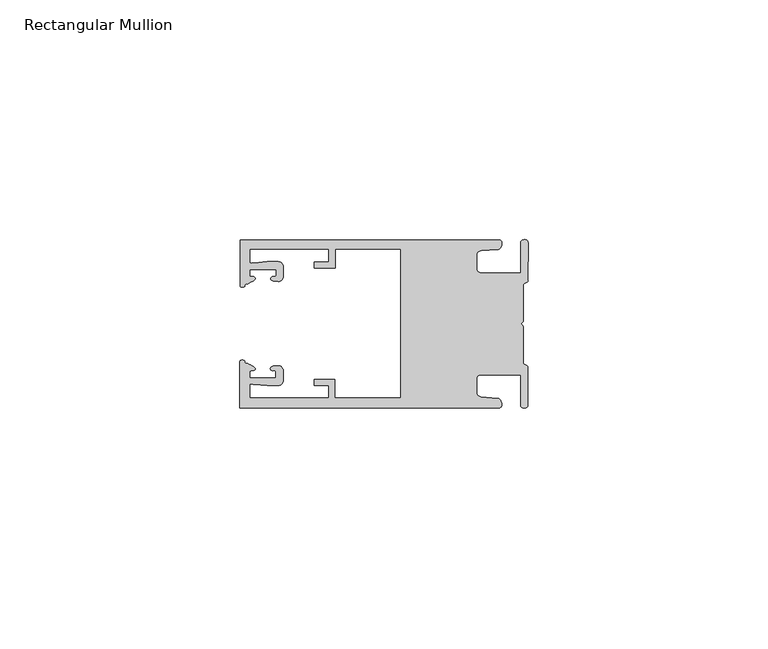
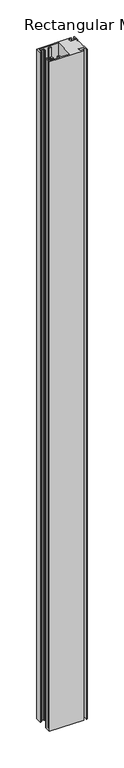
"""IFC4 building model written with IfcOpenShell, lengths in millimetres: member geometry, Rectangular Mullion."""

from ifc_helpers import new_model, si_unit, frame, origin, place, context, project, spatial, circle_curve, source, transform, mapped, element, save
from ifc_brep_helpers import plane_surface, cylinder_surface, extruded_surface, spline_curve, advanced_brep


def rectangular_mullion_3d1d8d7b(model_context):
    return source(origin(), model_context, "Body", "AdvancedBrep", [
        advanced_brep(
        [(-60.0749377, 17.5111528, 0.0), (-60.0749377, 8.0140787, 0.0), (-59.3252567, 7.7187455, 0.0), (-58.4967974, 8.36785, 0.0), (-58.0726619, 10.1173923, 0.0), (-58.0713101, 11.3673916, 0.0), (-52.5713133, 11.3614437, 0.0), (-52.5726651, 10.1114444, 0.0), (-53.1427626, 8.8955539, 0.0), (-52.0740172, 8.8609044, 0.0), (-51.0729364, 9.8598224, 0.0), (-51.0706653, 11.9598211, 0.0), (-52.0700692, 12.9609024, 0.0), (-54.3905105, 12.9622843, 0.0), (-57.1599646, 12.7230061, 0.0), (-58.0696339, 12.9173907, 0.0), (-58.066768, 15.5673891, 0.0), (-41.5667584, 15.5673891, 0.0), (-41.5695894, 12.9495468, 0.0), (-44.5695877, 12.9527912, 0.0), (-44.5709936, 11.6527919, 0.0), (-40.2709961, 11.6481417, 0.0), (-40.2667576, 15.5673891, 0.0), (-26.6002952, 15.5673891, 0.0), (-26.6002952, -15.4518424, 0.0), (-40.3003032, -15.4518424, 0.0), (-40.2960856, -11.5518447, 0.0), (-44.5960831, -11.5471945, 0.0), (-44.597489, -12.8471938, 0.0), (-41.5974907, -12.8504381, 0.0), (-41.6003025, -15.4504366, 0.0), (-58.1002928, -15.4325927, 0.0), (-58.097427, -12.7825943, 0.0), (-57.1873395, -12.5901776, 0.0), (-54.4184094, -12.8354453, 0.0), (-52.0979705, -12.8390822, 0.0), (-51.0964037, -11.8401649, 0.0), (-51.0941327, -9.7401662, 0.0), (-52.0930507, -8.7390853, 0.0), (-53.1618685, -8.7714231, 0.0), (-52.5944022, -9.9885439, 0.0), (-52.595754, -11.2385431, 0.0), (-58.0957508, -11.2325952, 0.0), (-58.094399, -9.9825959, 0.0), (-58.5147494, -8.2321403, 0.0), (-59.3418028, -7.5812455, 0.0), (-60.0921208, -7.8749565, 0.0), (-60.0921208, -17.4888267, 0.0), (-6.1024861, -17.4888267, 0.0), (-6.5218639, -15.488372, 0.0), (-9.8784944, -15.2205466, 0.0), (-10.7989567, -14.2226333, 0.0), (-10.7961029, -11.5837474, 0.0), (-9.8734844, -10.5878272, 0.0), (-1.5950266, -10.5934991, 0.0), (-1.601948, -16.9936935, 0.0), (-0.1017194, -16.7830581, 0.0), (-0.0933208, -9.0170082, 0.0), (-1.0923837, -8.1499018, 0.0), (-1.0842165, -0.5977972, 0.0), (-1.0829111, 0.6093089, 0.0), (-1.0747439, 8.1614135, 0.0), (-0.0738079, 9.026357, 0.0), (-0.0654093, 16.7924069, 0.0), (-1.5651789, 17.0062866, 0.0), (-1.5651789, 10.6183257, 0.0), (-9.8505511, 10.6183257, 0.0), (-10.7710133, 11.6162391, 0.0), (-10.7681595, 14.255125, 0.0), (-9.845541, 15.2510452, 0.0), (-6.4883391, 15.5116099, 0.0), (-6.0646356, 17.5111528, 0.0), (-60.0749377, 17.5111528, -1117.6), (-6.0646356, 17.5111528, -1117.6), (-6.4883391, 15.5116099, -1117.6), (-9.845541, 15.2510452, -1117.6), (-10.7681595, 14.255125, -1117.6), (-10.7710133, 11.6162391, -1117.6), (-9.8505511, 10.6183257, -1117.6), (-1.5651789, 10.6183257, -1117.6), (-1.5651789, 17.0062866, -1117.6), (-0.0654093, 16.7924069, -1117.6), (-0.0738079, 9.026357, -1117.6), (-1.0747439, 8.1614135, -1117.6), (-1.0829111, 0.6093089, -1117.6), (-1.0842165, -0.5977972, -1117.6), (-1.0923837, -8.1499018, -1117.6), (-0.0933208, -9.0170082, -1117.6), (-0.1017194, -16.7830581, -1117.6), (-1.601948, -16.9936935, -1117.6), (-1.5950266, -10.5934991, -1117.6), (-9.8734844, -10.5878272, -1117.6), (-10.7961029, -11.5837474, -1117.6), (-10.7989567, -14.2226333, -1117.6), (-9.8784944, -15.2205466, -1117.6), (-6.5218639, -15.488372, -1117.6), (-6.1024861, -17.4888267, -1117.6), (-60.0921208, -17.4888267, -1117.6), (-60.0921208, -7.8749565, -1117.6), (-59.3418028, -7.5812455, -1117.6), (-58.5147494, -8.2321403, -1117.6), (-58.094399, -9.9825959, -1117.6), (-58.0957508, -11.2325952, -1117.6), (-52.595754, -11.2385431, -1117.6), (-52.5944022, -9.9885439, -1117.6), (-53.1618685, -8.7714231, -1117.6), (-52.0930507, -8.7390853, -1117.6), (-51.0941327, -9.7401662, -1117.6), (-51.0964037, -11.8401649, -1117.6), (-52.0979705, -12.8390823, -1117.6), (-54.4184094, -12.8354453, -1117.6), (-57.1873395, -12.5901776, -1117.6), (-58.097427, -12.7825943, -1117.6), (-58.1002928, -15.4325927, -1117.6), (-41.6003025, -15.4504366, -1117.6), (-41.5974907, -12.8504381, -1117.6), (-44.597489, -12.8471938, -1117.6), (-44.5960831, -11.5471945, -1117.6), (-40.2960856, -11.5518447, -1117.6), (-40.3003032, -15.4518424, -1117.6), (-26.6002952, -15.4518424, -1117.6), (-26.6002952, 15.5673891, -1117.6), (-40.2667576, 15.5673891, -1117.6), (-40.2709961, 11.6481417, -1117.6), (-44.5709936, 11.6527919, -1117.6), (-44.5695877, 12.9527912, -1117.6), (-41.5695894, 12.9495468, -1117.6), (-41.5667584, 15.5673891, -1117.6), (-58.066768, 15.5673891, -1117.6), (-58.0696339, 12.9173907, -1117.6), (-57.1599646, 12.7230061, -1117.6), (-54.3905105, 12.9622843, -1117.6), (-52.0700692, 12.9609023, -1117.6), (-51.0706653, 11.9598211, -1117.6), (-51.0729364, 9.8598224, -1117.6), (-52.0740172, 8.8609044, -1117.6), (-53.1427626, 8.8955539, -1117.6), (-52.5726651, 10.1114444, -1117.6), (-52.5713133, 11.3614437, -1117.6), (-58.0713101, 11.3673916, -1117.6), (-58.0726619, 10.1173923, -1117.6), (-58.4967974, 8.36785, -1117.6), (-59.3252567, 7.7187455, -1117.6), (-60.0749377, 8.0140787, -1117.6)],
        [
            (0, 1),
            (1, 2, spline_curve(3, [(-60.0749377, 8.0140787, 0.0), (-60.075233123, 7.740904774, 0.0), (-59.825339491, 7.642460332, 0.0), (-59.3252567, 7.7187455, 0.0)], [4, 4], [0.0, 0.0019169337574178654])),
            (2, 3, spline_curve(3, [(-59.3252567, 7.7187455, 0.0), (-59.094460914, 7.75918372, 0.0), (-59.054835463, 7.902257199, 0.0), (-59.05559987, 8.233305614, 0.0), (-59.138729113, 8.4134359, 0.0), (-58.4967974, 8.36785, 0.0)], [4, 2, 4], [0.0, 0.0010199524164107188, 0.0024874514725970356])),
            (3, 4, spline_curve(3, [(-58.4967974, 8.36785, 0.0), (-57.022393378, 9.053435667, 0.0), (-56.827266887, 9.364828726, 0.0), (-56.982213078, 9.742623404, 0.0), (-57.177375211, 9.855581791, 0.0), (-57.697928101, 9.887955071, 0.0), (-57.997449153, 9.835475348, 0.0), (-58.0726619, 10.1173923, 0.0)], [4, 2, 2, 4], [0.0, 0.003269869179570428, 0.005490050486237203, 0.0073545767114364426])),
            (4, 5),
            (5, 6),
            (6, 7),
            (7, 8, spline_curve(3, [(-52.5726651, 10.1114444, 0.0), (-52.667195519, 9.760172042, 0.0), (-52.937094388, 9.861877724, 0.0), (-53.356237032, 9.895631753, 0.0), (-53.491940439, 9.811038713, 0.0), (-53.761900775, 9.511438033, 0.0), (-53.892893546, 9.278787104, 0.0), (-53.1427626, 8.8955539, 0.0)], [4, 2, 2, 4], [0.0, 0.001593963049934732, 0.0033360256320283306, 0.005339140673503943])),
            (8, 9),
            (9, 10, circle_curve(frame((-52.0729358, 9.8609038, 0.0), z_axis=(0.0, 0.0, 1.0), x_axis=(-0.0010814451158600304, -0.9999994152380598, 0.0)), 1.0)),
            (10, 11),
            (11, 12, circle_curve(frame((-52.0706647, 11.9609026, 0.0), z_axis=(0.0, 0.0, 1.0), x_axis=(-0.0010814451158600304, -0.9999994152380598, 0.0)), 1.0)),
            (12, 13),
            (13, 14),
            (14, 15, spline_curve(3, [(-57.1599646, 12.7230061, 0.0), (-57.631533854, 12.682262968, 0.0), (-58.018602985, 12.477800124, 0.0), (-58.0696339, 12.9173907, 0.0)], [4, 4], [0.0, 0.0014803385355886016])),
            (15, 16),
            (16, 17),
            (17, 18),
            (18, 19),
            (19, 20),
            (20, 21),
            (21, 22),
            (22, 23),
            (23, 24),
            (24, 25),
            (25, 26),
            (26, 27),
            (27, 28),
            (28, 29),
            (29, 30),
            (30, 31),
            (31, 32),
            (32, 33, spline_curve(3, [(-58.097427, -12.7825943, 0.0), (-58.045445419, -12.343115126, 0.0), (-57.658819528, -12.548414611, 0.0), (-57.1873395, -12.5901776, 0.0)], [4, 4], [0.0, 0.0014803385355886016])),
            (33, 34),
            (34, 35),
            (35, 36, circle_curve(frame((-52.0964031, -11.8390835, 0.0), z_axis=(0.0, 0.0, 1.0), x_axis=(0.0010814451158600304, 0.9999994152380598, 0.0)), 1.0)),
            (36, 37),
            (37, 38, circle_curve(frame((-52.0941321, -9.7390847, 0.0), z_axis=(0.0, 0.0, 1.0), x_axis=(0.0010814451158600304, 0.9999994152380598, 0.0)), 1.0)),
            (38, 39),
            (39, 40, spline_curve(3, [(-53.1618685, -8.7714231, 0.0), (-53.912826582, -9.153032958, 0.0), (-53.782337352, -9.385966711, 0.0), (-53.51302565, -9.686150585, 0.0), (-53.377505444, -9.771037009, 0.0), (-52.958290774, -9.738189618, 0.0), (-52.688172635, -9.637067904, 0.0), (-52.5944022, -9.9885439, 0.0)], [4, 2, 2, 4], [0.0, 0.002003115041475612, 0.0037451776235692107, 0.005339140673503943])),
            (40, 41),
            (41, 42),
            (42, 43),
            (43, 44, spline_curve(3, [(-58.094399, -9.9825959, 0.0), (-58.018576674, -9.700842284, 0.0), (-57.719169706, -9.753969703, 0.0), (-57.198548014, -9.722722397, 0.0), (-57.003142178, -9.61018632, 0.0), (-56.847379222, -9.232727657, 0.0), (-57.041831673, -8.920913336, 0.0), (-58.5147494, -8.2321403, 0.0)], [4, 2, 2, 4], [0.0, 0.0018645262251992395, 0.004084707531866015, 0.0073545767114364426])),
            (44, 45, spline_curve(3, [(-58.5147494, -8.2321403, 0.0), (-59.156778208, -8.276337666, 0.0), (-59.073259494, -8.096387681, 0.0), (-59.071779067, -7.765341694, 0.0), (-59.111095017, -7.622182811, 0.0), (-59.3418028, -7.5812455, 0.0)], [4, 2, 4], [0.0, 0.0014674990561863168, 0.0024874514725970356])),
            (45, 46, spline_curve(3, [(-59.3418028, -7.5812455, 0.0), (-59.841719425, -7.503878887, 0.0), (-60.091825377, -7.601782574, 0.0), (-60.0921208, -7.8749565, 0.0)], [4, 4], [0.0, 0.0019169337574178654])),
            (46, 47),
            (47, 48),
            (48, 49, spline_curve(3, [(-6.1024861, -17.4888267, 0.0), (-5.074532184, -17.418062188, 0.0), (-5.631140689, -15.411414367, 0.0), (-6.5218639, -15.488372, 0.0)], [4, 4], [0.0, 0.0043819361547461745])),
            (49, 50),
            (50, 51, spline_curve(3, [(-9.8784944, -15.2205466, 0.0), (-10.440691543, -15.150698463, 0.0), (-10.74751234, -14.818060727, 0.0), (-10.7989567, -14.2226333, 0.0)], [4, 4], [0.0, 0.0028645797420738927])),
            (51, 52),
            (52, 53, spline_curve(3, [(-10.7961029, -11.5837474, 0.0), (-10.743370817, -10.988432634, 0.0), (-10.435831301, -10.656459204, 0.0), (-9.8734844, -10.5878272, 0.0)], [4, 4], [0.0, 0.0028645797420738927])),
            (53, 54),
            (54, 55),
            (55, 56, spline_curve(3, [(-1.601948, -16.9936935, 0.0), (-1.655676874, -17.600261454, 0.0), (-0.043737403, -17.912795581, 0.0), (-0.1017194, -16.7830581, 0.0)], [4, 4], [0.0, 0.0036987374396357936])),
            (56, 57),
            (57, 58, spline_curve(3, [(-0.0933208, -9.0170082, 0.0), (-0.018818183, -8.695886697, 0.0), (-1.193434327, -8.459763043, 0.0), (-1.0923837, -8.1499018, 0.0)], [4, 4], [0.0, 0.002027216749630121])),
            (58, 59),
            (59, 60, spline_curve(3, [(-1.0842165, -0.5977972, 0.0), (-1.013223198, -0.445980437, 0.0), (-1.487945123, -0.206736825, 0.0), (-1.487409651, 0.231097965, 0.0), (-0.999110985, 0.429090391, 0.0), (-1.0829111, 0.6093089, 0.0)], [4, 2, 4], [0.0, 0.00249866671847065, 0.005031402919736269])),
            (60, 61),
            (61, 62, spline_curve(3, [(-1.0747439, 8.1614135, 0.0), (-1.175124095, 8.47149258, 0.0), (-7e-09, 8.705075107, 0.0), (-0.0738079, 9.026357, 0.0)], [4, 4], [0.0, 0.002027216749630121])),
            (62, 63),
            (63, 64, spline_curve(3, [(-0.0654093, 16.7924069, 0.0), (-0.004983942, 17.92201633, 0.0), (-1.617595709, 17.612969344, 0.0), (-1.5651789, 17.0062866, 0.0)], [4, 4], [0.0, 0.0036987374396357936])),
            (64, 65),
            (65, 66),
            (66, 67, spline_curve(3, [(-9.8505511, 10.6183257, 0.0), (-10.412748243, 10.688173837, 0.0), (-10.71956894, 11.020811673, 0.0), (-10.7710133, 11.6162391, 0.0)], [4, 4], [0.0, 0.0028645797420738927])),
            (67, 68),
            (68, 69, spline_curve(3, [(-10.7681595, 14.255125, 0.0), (-10.715427417, 14.850439766, 0.0), (-10.407887901, 15.182413196, 0.0), (-9.845541, 15.2510452, 0.0)], [4, 4], [0.0, 0.0028645797420738927])),
            (69, 70),
            (70, 71, spline_curve(3, [(-6.4883391, 15.5116099, 0.0), (-5.597784423, 15.432725911, 0.0), (-5.036837144, 17.438165103, 0.0), (-6.0646356, 17.5111528, 0.0)], [4, 4], [0.0, 0.0043819361547461745])),
            (71, 0),
            (72, 73),
            (73, 74, spline_curve(3, [(-6.0646356, 17.5111528, -1117.6), (-5.036837144, 17.438165103, -1117.6), (-5.597784423, 15.432725911, -1117.6), (-6.4883391, 15.5116099, -1117.6)], [4, 4], [0.0, 0.0043819361547461745])),
            (74, 75),
            (75, 76, spline_curve(3, [(-9.845541, 15.2510452, -1117.6), (-10.407887901, 15.182413196, -1117.6), (-10.715427417, 14.850439766, -1117.6), (-10.7681595, 14.255125, -1117.6)], [4, 4], [0.0, 0.0028645797420738927])),
            (76, 77),
            (77, 78, spline_curve(3, [(-10.7710133, 11.6162391, -1117.6), (-10.71956894, 11.020811673, -1117.6), (-10.412748243, 10.688173837, -1117.6), (-9.8505511, 10.6183257, -1117.6)], [4, 4], [0.0, 0.0028645797420738927])),
            (78, 79),
            (79, 80),
            (80, 81, spline_curve(3, [(-1.5651789, 17.0062866, -1117.6), (-1.617595709, 17.612969344, -1117.6), (-0.004983942, 17.92201633, -1117.6), (-0.0654093, 16.7924069, -1117.6)], [4, 4], [0.0, 0.0036987374396357936])),
            (81, 82),
            (82, 83, spline_curve(3, [(-0.0738079, 9.026357, -1117.6), (-7e-09, 8.705075107, -1117.6), (-1.175124095, 8.47149258, -1117.6), (-1.0747439, 8.1614135, -1117.6)], [4, 4], [0.0, 0.002027216749630121])),
            (83, 84),
            (84, 85, spline_curve(3, [(-1.0829111, 0.6093089, -1117.6), (-0.999110985, 0.429090391, -1117.6), (-1.487409651, 0.231097965, -1117.6), (-1.487945123, -0.206736825, -1117.6), (-1.013223198, -0.445980437, -1117.6), (-1.0842165, -0.5977972, -1117.6)], [4, 2, 4], [0.0, 0.002532736201265619, 0.005031402919736269])),
            (85, 86),
            (86, 87, spline_curve(3, [(-1.0923837, -8.1499018, -1117.6), (-1.193434327, -8.459763043, -1117.6), (-0.018818183, -8.695886697, -1117.6), (-0.0933208, -9.0170082, -1117.6)], [4, 4], [0.0, 0.002027216749630121])),
            (87, 88),
            (88, 89, spline_curve(3, [(-0.1017194, -16.7830581, -1117.6), (-0.043737403, -17.912795581, -1117.6), (-1.655676874, -17.600261454, -1117.6), (-1.601948, -16.9936935, -1117.6)], [4, 4], [0.0, 0.0036987374396357936])),
            (89, 90),
            (90, 91),
            (91, 92, spline_curve(3, [(-9.8734844, -10.5878272, -1117.6), (-10.435831301, -10.656459204, -1117.6), (-10.743370817, -10.988432634, -1117.6), (-10.7961029, -11.5837474, -1117.6)], [4, 4], [0.0, 0.0028645797420738927])),
            (92, 93),
            (93, 94, spline_curve(3, [(-10.7989567, -14.2226333, -1117.6), (-10.74751234, -14.818060727, -1117.6), (-10.440691543, -15.150698463, -1117.6), (-9.8784944, -15.2205466, -1117.6)], [4, 4], [0.0, 0.0028645797420738927])),
            (94, 95),
            (95, 96, spline_curve(3, [(-6.5218639, -15.488372, -1117.6), (-5.631140689, -15.411414367, -1117.6), (-5.074532184, -17.418062188, -1117.6), (-6.1024861, -17.4888267, -1117.6)], [4, 4], [0.0, 0.0043819361547461745])),
            (96, 97),
            (97, 98),
            (98, 99, spline_curve(3, [(-60.0921208, -7.8749565, -1117.6), (-60.091825377, -7.601782574, -1117.6), (-59.841719425, -7.503878887, -1117.6), (-59.3418028, -7.5812455, -1117.6)], [4, 4], [0.0, 0.0019169337574178654])),
            (99, 100, spline_curve(3, [(-59.3418028, -7.5812455, -1117.6), (-59.111095017, -7.622182811, -1117.6), (-59.071779067, -7.765341694, -1117.6), (-59.073259494, -8.096387681, -1117.6), (-59.156778208, -8.276337666, -1117.6), (-58.5147494, -8.2321403, -1117.6)], [4, 2, 4], [0.0, 0.0010199524164107188, 0.0024874514725970356])),
            (100, 101, spline_curve(3, [(-58.5147494, -8.2321403, -1117.6), (-57.041831673, -8.920913336, -1117.6), (-56.847379222, -9.232727657, -1117.6), (-57.003142178, -9.61018632, -1117.6), (-57.198548014, -9.722722397, -1117.6), (-57.719169706, -9.753969703, -1117.6), (-58.018576674, -9.700842284, -1117.6), (-58.094399, -9.9825959, -1117.6)], [4, 2, 2, 4], [0.0, 0.003269869179570428, 0.005490050486237203, 0.0073545767114364426])),
            (101, 102),
            (102, 103),
            (103, 104),
            (104, 105, spline_curve(3, [(-52.5944022, -9.9885439, -1117.6), (-52.688172635, -9.637067904, -1117.6), (-52.958290774, -9.738189618, -1117.6), (-53.377505444, -9.771037009, -1117.6), (-53.51302565, -9.686150585, -1117.6), (-53.782337352, -9.385966711, -1117.6), (-53.912826582, -9.153032958, -1117.6), (-53.1618685, -8.7714231, -1117.6)], [4, 2, 2, 4], [0.0, 0.001593963049934732, 0.0033360256320283306, 0.005339140673503943])),
            (105, 106),
            (106, 107, circle_curve(frame((-52.0941321, -9.7390847, -1117.6), z_axis=(0.0, 0.0, -1.0), x_axis=(0.0010814451158600304, 0.9999994152380598, 0.0)), 1.0)),
            (107, 108),
            (108, 109, circle_curve(frame((-52.0964031, -11.8390835, -1117.6), z_axis=(0.0, 0.0, -1.0), x_axis=(0.0010814451158600304, 0.9999994152380598, 0.0)), 1.0)),
            (109, 110),
            (110, 111),
            (111, 112, spline_curve(3, [(-57.1873395, -12.5901776, -1117.6), (-57.658819528, -12.548414611, -1117.6), (-58.045445419, -12.343115126, -1117.6), (-58.097427, -12.7825943, -1117.6)], [4, 4], [0.0, 0.0014803385355886016])),
            (112, 113),
            (113, 114),
            (114, 115),
            (115, 116),
            (116, 117),
            (117, 118),
            (118, 119),
            (119, 120),
            (120, 121),
            (121, 122),
            (122, 123),
            (123, 124),
            (124, 125),
            (125, 126),
            (126, 127),
            (127, 128),
            (128, 129),
            (129, 130, spline_curve(3, [(-58.0696339, 12.9173907, -1117.6), (-58.018602985, 12.477800124, -1117.6), (-57.631533854, 12.682262968, -1117.6), (-57.1599646, 12.7230061, -1117.6)], [4, 4], [0.0, 0.0014803385355886016])),
            (130, 131),
            (131, 132),
            (132, 133, circle_curve(frame((-52.0706647, 11.9609026, -1117.6), z_axis=(0.0, 0.0, -1.0), x_axis=(-0.0010814451158600304, -0.9999994152380598, 0.0)), 1.0)),
            (133, 134),
            (134, 135, circle_curve(frame((-52.0729358, 9.8609038, -1117.6), z_axis=(0.0, 0.0, -1.0), x_axis=(-0.0010814451158600304, -0.9999994152380598, 0.0)), 1.0)),
            (135, 136),
            (136, 137, spline_curve(3, [(-53.1427626, 8.8955539, -1117.6), (-53.892893546, 9.278787104, -1117.6), (-53.761900775, 9.511438033, -1117.6), (-53.491940439, 9.811038713, -1117.6), (-53.356237032, 9.895631753, -1117.6), (-52.937094388, 9.861877724, -1117.6), (-52.667195519, 9.760172042, -1117.6), (-52.5726651, 10.1114444, -1117.6)], [4, 2, 2, 4], [0.0, 0.002003115041475612, 0.0037451776235692107, 0.005339140673503943])),
            (137, 138),
            (138, 139),
            (139, 140),
            (140, 141, spline_curve(3, [(-58.0726619, 10.1173923, -1117.6), (-57.997449153, 9.835475348, -1117.6), (-57.697928101, 9.887955071, -1117.6), (-57.177375211, 9.855581791, -1117.6), (-56.982213078, 9.742623404, -1117.6), (-56.827266887, 9.364828726, -1117.6), (-57.022393378, 9.053435667, -1117.6), (-58.4967974, 8.36785, -1117.6)], [4, 2, 2, 4], [0.0, 0.0018645262251992395, 0.004084707531866015, 0.0073545767114364426])),
            (141, 142, spline_curve(3, [(-58.4967974, 8.36785, -1117.6), (-59.138729113, 8.4134359, -1117.6), (-59.05559987, 8.233305614, -1117.6), (-59.054835463, 7.902257199, -1117.6), (-59.094460914, 7.75918372, -1117.6), (-59.3252567, 7.7187455, -1117.6)], [4, 2, 4], [0.0, 0.0014674990561863168, 0.0024874514725970356])),
            (142, 143, spline_curve(3, [(-59.3252567, 7.7187455, -1117.6), (-59.825339491, 7.642460332, -1117.6), (-60.075233123, 7.740904774, -1117.6), (-60.0749377, 8.0140787, -1117.6)], [4, 4], [0.0, 0.0019169337574178654])),
            (143, 72),
            (0, 72),
            (143, 1),
            (142, 2),
            (141, 3),
            (140, 4),
            (139, 5),
            (138, 6),
            (137, 7),
            (136, 8),
            (135, 9),
            (134, 10),
            (133, 11),
            (132, 12),
            (131, 13),
            (130, 14),
            (129, 15),
            (128, 16),
            (127, 17),
            (126, 18),
            (125, 19),
            (124, 20),
            (123, 21),
            (122, 22),
            (121, 23),
            (120, 24),
            (119, 25),
            (118, 26),
            (117, 27),
            (116, 28),
            (115, 29),
            (114, 30),
            (113, 31),
            (112, 32),
            (111, 33),
            (110, 34),
            (109, 35),
            (108, 36),
            (107, 37),
            (106, 38),
            (105, 39),
            (104, 40),
            (103, 41),
            (102, 42),
            (101, 43),
            (100, 44),
            (99, 45),
            (98, 46),
            (97, 47),
            (96, 48),
            (95, 49),
            (94, 50),
            (93, 51),
            (92, 52),
            (91, 53),
            (90, 54),
            (89, 55),
            (88, 56),
            (87, 57),
            (86, 58),
            (85, 59),
            (84, 60),
            (83, 61),
            (82, 62),
            (81, 63),
            (80, 64),
            (79, 65),
            (78, 66),
            (77, 67),
            (76, 68),
            (75, 69),
            (74, 70),
            (73, 71),
        ],
        [
            plane_surface(frame((0.0, -62.5853181, 0.0), z_axis=(0.0, 0.0, 1.0), x_axis=(-1.0, 0.0, 0.0))),
            plane_surface(frame((0.0, -62.5853181, -1117.6), z_axis=(0.0, 0.0, -1.0), x_axis=(-1.0, 0.0, 0.0))),
            plane_surface(frame((-60.0749377, 17.5111528, 0.0), z_axis=(-1.0, 0.0, 0.0), x_axis=(0.0, 0.0, -1.0))),
            extruded_surface(spline_curve(3, [(-60.0749377, 8.0140787, -1117.6), (-60.075233123, 7.740904774, -1117.6), (-59.825339491, 7.642460332, -1117.6), (-59.3252567, 7.7187455, -1117.6)], [4, 4], [0.0, 0.0019169337574178654]), (0.0, 0.0, 1117.6), 1117.6),
            extruded_surface(spline_curve(3, [(-59.3252567, 7.7187455, -1117.6), (-59.094460914, 7.75918372, -1117.6), (-59.054835463, 7.902257199, -1117.6), (-59.05559987, 8.233305614, -1117.6), (-59.138729113, 8.4134359, -1117.6), (-58.4967974, 8.36785, -1117.6)], [4, 2, 4], [0.0, 0.0010199524164107188, 0.0024874514725970356]), (0.0, 0.0, 1117.6), 1117.6),
            extruded_surface(spline_curve(3, [(-58.4967974, 8.36785, -1117.6), (-57.022393378, 9.053435667, -1117.6), (-56.827266887, 9.364828726, -1117.6), (-56.982213078, 9.742623404, -1117.6), (-57.177375211, 9.855581791, -1117.6), (-57.697928101, 9.887955071, -1117.6), (-57.997449153, 9.835475348, -1117.6), (-58.0726619, 10.1173923, -1117.6)], [4, 2, 2, 4], [0.0, 0.003269869179570428, 0.005490050486237203, 0.0073545767114364426]), (0.0, 0.0, 1117.6), 1117.6),
            plane_surface(frame((-58.0726619, 10.1173923, 0.0), z_axis=(0.9999994152380598, -0.0010814451158634145, 0.0), x_axis=(0.0, 0.0, -1.0))),
            plane_surface(frame((-58.0713101, 11.3673916, 0.0), z_axis=(-0.0010814451158616418, -0.9999994152380598, 0.0), x_axis=(0.0, 0.0, -1.0))),
            plane_surface(frame((-52.5713133, 11.3614437, 0.0), z_axis=(-0.9999994152380598, 0.0010814451158643293, 0.0), x_axis=(0.0, 0.0, -1.0))),
            extruded_surface(spline_curve(3, [(-52.5726651, 10.1114444, -1117.6), (-52.667195519, 9.760172042, -1117.6), (-52.937094388, 9.861877724, -1117.6), (-53.356237032, 9.895631753, -1117.6), (-53.491940439, 9.811038713, -1117.6), (-53.761900775, 9.511438033, -1117.6), (-53.892893546, 9.278787104, -1117.6), (-53.1427626, 8.8955539, -1117.6)], [4, 2, 2, 4], [0.0, 0.001593963049934732, 0.0033360256320283306, 0.005339140673503943]), (0.0, 0.0, 1117.6), 1117.6),
            plane_surface(frame((-53.1427626, 8.8955539, 0.0), z_axis=(-0.032403661401520414, -0.9994748634797054, 0.0), x_axis=(0.0, 0.0, -1.0))),
            cylinder_surface(frame((-52.0729358, 9.8609038, 0.0), z_axis=(0.0, 0.0, 1.0000000000000002), x_axis=(-0.0010814451158600304, -0.9999994152380598, 0.0)), 1.0),
            plane_surface(frame((-51.0729364, 9.8598224, 0.0), z_axis=(0.9999994152380598, -0.001081445115864059, 0.0), x_axis=(0.0, 0.0, -1.0))),
            cylinder_surface(frame((-52.0706647, 11.9609026, 0.0), z_axis=(0.0, 0.0, 1.0000000000000002), x_axis=(-0.0010814451158600304, -0.9999994152380598, 0.0)), 1.0),
            plane_surface(frame((-52.0700692, 12.9609023, 0.0), z_axis=(0.0005955716436318007, 0.999999822647193, 0.0), x_axis=(0.0, 0.0, -1.0))),
            plane_surface(frame((-54.3905105, 12.9622843, 0.0), z_axis=(-0.08607836189159865, 0.9962883697073147, 0.0), x_axis=(0.0, 0.0, -1.0))),
            extruded_surface(spline_curve(3, [(-57.1599646, 12.7230061, -1117.6), (-57.631533854, 12.682262968, -1117.6), (-58.018602985, 12.477800124, -1117.6), (-58.0696339, 12.9173907, -1117.6)], [4, 4], [0.0, 0.0014803385355886016]), (0.0, 0.0, 1117.6), 1117.6),
            plane_surface(frame((-58.0696339, 12.9173907, 0.0), z_axis=(0.9999994152380598, -0.0010814451158629996, 0.0), x_axis=(0.0, 0.0, -1.0))),
            plane_surface(frame((-58.066768, 15.5673891, 0.0), z_axis=(0.0, -1.0, 0.0), x_axis=(0.0, 0.0, -1.0))),
            plane_surface(frame((-41.5667584, 15.5673891, 0.0), z_axis=(-0.9999994152380598, 0.0010814451158636304, 0.0), x_axis=(0.0, 0.0, -1.0))),
            plane_surface(frame((-41.5695894, 12.9495468, 0.0), z_axis=(0.0010814451158615687, 0.9999994152380598, 0.0), x_axis=(0.0, 0.0, -1.0))),
            plane_surface(frame((-44.5695877, 12.9527912, 0.0), z_axis=(-0.9999994152380598, 0.0010814451158626742, 0.0), x_axis=(0.0, 0.0, -1.0))),
            plane_surface(frame((-44.5709936, 11.6527919, 0.0), z_axis=(-0.001081445115861604, -0.9999994152380598, 0.0), x_axis=(0.0, 0.0, -1.0))),
            plane_surface(frame((-40.2709961, 11.6481417, 0.0), z_axis=(0.9999994152380598, -0.001081445115863507, 0.0), x_axis=(0.0, 0.0, -1.0))),
            plane_surface(frame((-40.2667576, 15.5673891, 0.0), z_axis=(0.0, -1.0, 0.0), x_axis=(0.0, 0.0, -1.0))),
            plane_surface(frame((-26.6002952, 15.5673891, 0.0), z_axis=(-1.0, 0.0, 0.0), x_axis=(0.0, 0.0, -1.0))),
            plane_surface(frame((-26.6002952, -15.4518424, 0.0), z_axis=(0.0, 1.0, 0.0), x_axis=(0.0, 0.0, -1.0))),
            plane_surface(frame((-40.3003032, -15.4518424, 0.0), z_axis=(0.9999994152380598, -0.0010814451158565538, 0.0), x_axis=(0.0, 0.0, -1.0))),
            plane_surface(frame((-40.2960856, -11.5518447, 0.0), z_axis=(0.0010814451158584568, 0.9999994152380598, 0.0), x_axis=(0.0, 0.0, -1.0))),
            plane_surface(frame((-44.5960831, -11.5471945, 0.0), z_axis=(-0.9999994152380598, 0.0010814451158573867, 0.0), x_axis=(0.0, 0.0, -1.0))),
            plane_surface(frame((-44.597489, -12.8471938, 0.0), z_axis=(-0.0010814451158584922, -0.9999994152380598, 0.0), x_axis=(0.0, 0.0, -1.0))),
            plane_surface(frame((-41.5974907, -12.8504381, 0.0), z_axis=(-0.9999994152380598, 0.0010814451158564305, 0.0), x_axis=(0.0, 0.0, -1.0))),
            plane_surface(frame((-41.6003025, -15.4504366, 0.0), z_axis=(0.0010814451158583872, 0.9999994152380598, 0.0), x_axis=(0.0, 0.0, -1.0))),
            plane_surface(frame((-58.1002928, -15.4325927, 0.0), z_axis=(0.9999994152380598, -0.0010814451158570612, 0.0), x_axis=(0.0, 0.0, -1.0))),
            extruded_surface(spline_curve(3, [(-58.097427, -12.7825943, -1117.6), (-58.045445419, -12.343115126, -1117.6), (-57.658819528, -12.548414611, -1117.6), (-57.1873395, -12.5901776, -1117.6)], [4, 4], [0.0, 0.0014803385355886016]), (0.0, 0.0, 1117.6), 1117.6),
            plane_surface(frame((-57.1873395, -12.5901776, 0.0), z_axis=(-0.0882330216729926, -0.9960998614026876, 0.0), x_axis=(0.0, 0.0, -1.0))),
            plane_surface(frame((-54.4184094, -12.8354453, 0.0), z_axis=(-0.0015673183327880543, -0.9999987717558677, 0.0), x_axis=(0.0, 0.0, -1.0))),
            cylinder_surface(frame((-52.0964031, -11.8390835, 0.0), z_axis=(0.0, 0.0, 1.0000000000000002), x_axis=(0.0010814451158600304, 0.9999994152380598, 0.0)), 1.0),
            plane_surface(frame((-51.0964037, -11.8401649, 0.0), z_axis=(0.9999994152380598, -0.001081445115856002, 0.0), x_axis=(0.0, 0.0, -1.0))),
            cylinder_surface(frame((-52.0941321, -9.7390847, 0.0), z_axis=(0.0, 0.0, 1.0000000000000002), x_axis=(0.0010814451158600304, 0.9999994152380598, 0.0)), 1.0),
            plane_surface(frame((-52.0930507, -8.7390853, 0.0), z_axis=(-0.030241832452872642, 0.9995426111826812, 0.0), x_axis=(0.0, 0.0, -1.0))),
            extruded_surface(spline_curve(3, [(-53.1618685, -8.7714231, -1117.6), (-53.912826582, -9.153032958, -1117.6), (-53.782337352, -9.385966711, -1117.6), (-53.51302565, -9.686150585, -1117.6), (-53.377505444, -9.771037009, -1117.6), (-52.958290774, -9.738189618, -1117.6), (-52.688172635, -9.637067904, -1117.6), (-52.5944022, -9.9885439, -1117.6)], [4, 2, 2, 4], [0.0, 0.002003115041475612, 0.0037451776235692107, 0.005339140673503943]), (0.0, 0.0, 1117.6), 1117.6),
            plane_surface(frame((-52.5944022, -9.9885439, 0.0), z_axis=(-0.9999994152380598, 0.0010814451158557316, 0.0), x_axis=(0.0, 0.0, -1.0))),
            plane_surface(frame((-52.595754, -11.2385431, 0.0), z_axis=(0.001081445115858419, 0.9999994152380598, 0.0), x_axis=(0.0, 0.0, -1.0))),
            plane_surface(frame((-58.0957508, -11.2325952, 0.0), z_axis=(0.9999994152380598, -0.0010814451158566464, 0.0), x_axis=(0.0, 0.0, -1.0))),
            extruded_surface(spline_curve(3, [(-58.094399, -9.9825959, -1117.6), (-58.018576674, -9.700842284, -1117.6), (-57.719169706, -9.753969703, -1117.6), (-57.198548014, -9.722722397, -1117.6), (-57.003142178, -9.61018632, -1117.6), (-56.847379222, -9.232727657, -1117.6), (-57.041831673, -8.920913336, -1117.6), (-58.5147494, -8.2321403, -1117.6)], [4, 2, 2, 4], [0.0, 0.0018645262251992395, 0.004084707531866015, 0.0073545767114364426]), (0.0, 0.0, 1117.6), 1117.6),
            extruded_surface(spline_curve(3, [(-58.5147494, -8.2321403, -1117.6), (-59.156778208, -8.276337666, -1117.6), (-59.073259494, -8.096387681, -1117.6), (-59.071779067, -7.765341694, -1117.6), (-59.111095017, -7.622182811, -1117.6), (-59.3418028, -7.5812455, -1117.6)], [4, 2, 4], [0.0, 0.0014674990561863168, 0.0024874514725970356]), (0.0, 0.0, 1117.6), 1117.6),
            extruded_surface(spline_curve(3, [(-59.3418028, -7.5812455, -1117.6), (-59.841719425, -7.503878887, -1117.6), (-60.091825377, -7.601782574, -1117.6), (-60.0921208, -7.8749565, -1117.6)], [4, 4], [0.0, 0.0019169337574178654]), (0.0, 0.0, 1117.6), 1117.6),
            plane_surface(frame((-60.0921208, -7.8749565, 0.0), z_axis=(-1.0, 0.0, 0.0), x_axis=(0.0, 0.0, -1.0))),
            plane_surface(frame((-60.0921208, -17.4888267, 0.0), z_axis=(0.0, -1.0, 0.0), x_axis=(0.0, 0.0, -1.0))),
            extruded_surface(spline_curve(3, [(-6.1024861, -17.4888267, -1117.6), (-5.074532184, -17.418062188, -1117.6), (-5.631140689, -15.411414367, -1117.6), (-6.5218639, -15.488372, -1117.6)], [4, 4], [0.0, 0.0043819361547461745]), (0.0, 0.0, 1117.6), 1117.6),
            plane_surface(frame((-6.5218639, -15.488372, 0.0), z_axis=(0.07953716124904908, 0.9968319015663789, 0.0), x_axis=(0.0, 0.0, -1.0))),
            extruded_surface(spline_curve(3, [(-9.8784944, -15.2205466, -1117.6), (-10.440691543, -15.150698463, -1117.6), (-10.74751234, -14.818060727, -1117.6), (-10.7989567, -14.2226333, -1117.6)], [4, 4], [0.0, 0.0028645797420738927]), (0.0, 0.0, 1117.6), 1117.6),
            plane_surface(frame((-10.7989567, -14.2226333, 0.0), z_axis=(0.9999994152380598, -0.0010814451158568247, 0.0), x_axis=(0.0, 0.0, -1.0))),
            extruded_surface(spline_curve(3, [(-10.7961029, -11.5837474, -1117.6), (-10.743370817, -10.988432634, -1117.6), (-10.435831301, -10.656459204, -1117.6), (-9.8734844, -10.5878272, -1117.6)], [4, 4], [0.0, 0.0028645797420738927]), (0.0, 0.0, 1117.6), 1117.6),
            plane_surface(frame((-9.8734844, -10.5878272, 0.0), z_axis=(-0.0006851371995361226, -0.9999997652934814, 0.0), x_axis=(0.0, 0.0, -1.0))),
            plane_surface(frame((-1.5950266, -10.5934991, 0.0), z_axis=(-0.9999994152380598, 0.0010814451158568644, 0.0), x_axis=(0.0, 0.0, -1.0))),
            extruded_surface(spline_curve(3, [(-1.601948, -16.9936935, -1117.6), (-1.655676874, -17.600261454, -1117.6), (-0.043737403, -17.912795581, -1117.6), (-0.1017194, -16.7830581, -1117.6)], [4, 4], [0.0, 0.0036987374396357936]), (0.0, 0.0, 1117.6), 1117.6),
            plane_surface(frame((-0.1017194, -16.7830581, 0.0), z_axis=(0.9999994152380598, -0.001081445115856699, 0.0), x_axis=(0.0, 0.0, -1.0))),
            extruded_surface(spline_curve(3, [(-0.0933208, -9.0170082, -1117.6), (-0.018818183, -8.695886697, -1117.6), (-1.193434327, -8.459763043, -1117.6), (-1.0923837, -8.1499018, -1117.6)], [4, 4], [0.0, 0.002027216749630121]), (0.0, 0.0, 1117.6), 1117.6),
            plane_surface(frame((-1.0923837, -8.1499018, 0.0), z_axis=(0.9999994152380598, -0.0010814451158566698, 0.0), x_axis=(0.0, 0.0, -1.0))),
            extruded_surface(spline_curve(3, [(-1.0842165, -0.5977972, -1117.6), (-1.013223198, -0.445980437, -1117.6), (-1.487945123, -0.206736825, -1117.6), (-1.487409651, 0.231097965, -1117.6), (-0.999110985, 0.429090391, -1117.6), (-1.0829111, 0.6093089, -1117.6)], [4, 2, 4], [0.0, 0.00249866671847065, 0.005031402919736269]), (0.0, 0.0, 1117.6), 1117.6),
            plane_surface(frame((-1.0829111, 0.6093089, 0.0), z_axis=(0.9999994152380598, -0.001081445115863391, 0.0), x_axis=(0.0, 0.0, -1.0))),
            extruded_surface(spline_curve(3, [(-1.0747439, 8.1614135, -1117.6), (-1.175124095, 8.47149258, -1117.6), (-7e-09, 8.705075107, -1117.6), (-0.0738079, 9.026357, -1117.6)], [4, 4], [0.0, 0.002027216749630121]), (0.0, 0.0, 1117.6), 1117.6),
            plane_surface(frame((-0.0738079, 9.026357, 0.0), z_axis=(0.9999994152380598, -0.001081445115863362, 0.0), x_axis=(0.0, 0.0, -1.0))),
            extruded_surface(spline_curve(3, [(-0.0654093, 16.7924069, -1117.6), (-0.004983942, 17.92201633, -1117.6), (-1.617595709, 17.612969344, -1117.6), (-1.5651789, 17.0062866, -1117.6)], [4, 4], [0.0, 0.0036987374396357936]), (0.0, 0.0, 1117.6), 1117.6),
            plane_surface(frame((-1.5651789, 17.0062866, 0.0), z_axis=(-1.0, 0.0, 0.0), x_axis=(0.0, 0.0, -1.0))),
            plane_surface(frame((-1.5651789, 10.6183257, 0.0), z_axis=(0.0, 1.0, 0.0), x_axis=(0.0, 0.0, -1.0))),
            extruded_surface(spline_curve(3, [(-9.8505511, 10.6183257, -1117.6), (-10.412748243, 10.688173837, -1117.6), (-10.71956894, 11.020811673, -1117.6), (-10.7710133, 11.6162391, -1117.6)], [4, 4], [0.0, 0.0028645797420738927]), (0.0, 0.0, 1117.6), 1117.6),
            plane_surface(frame((-10.7710133, 11.6162391, 0.0), z_axis=(0.9999994152380598, -0.0010814451158632362, 0.0), x_axis=(0.0, 0.0, -1.0))),
            extruded_surface(spline_curve(3, [(-10.7681595, 14.255125, -1117.6), (-10.715427417, 14.850439766, -1117.6), (-10.407887901, 15.182413196, -1117.6), (-9.845541, 15.2510452, -1117.6)], [4, 4], [0.0, 0.0028645797420738927]), (0.0, 0.0, 1117.6), 1117.6),
            plane_surface(frame((-9.845541, 15.2510452, 0.0), z_axis=(0.07738093848608862, -0.9970015999781607, 0.0), x_axis=(0.0, 0.0, -1.0))),
            extruded_surface(spline_curve(3, [(-6.4883391, 15.5116099, -1117.6), (-5.597784423, 15.432725911, -1117.6), (-5.036837144, 17.438165103, -1117.6), (-6.0646356, 17.5111528, -1117.6)], [4, 4], [0.0, 0.0043819361547461745]), (0.0, 0.0, 1117.6), 1117.6),
            plane_surface(frame((-6.0646356, 17.5111528, 0.0), z_axis=(0.0, 1.0, 0.0), x_axis=(0.0, 0.0, -1.0))),
        ],
        [
            (0, [[1, 2, 3, 4, 5, 6, 7, 8, 9, 10, 11, 12, 13, 14, 15, 16, 17, 18, 19, 20, 21, 22, 23, 24, 25, 26, 27, 28, 29, 30, 31, 32, 33, 34, 35, 36, 37, 38, 39, 40, 41, 42, 43, 44, 45, 46, 47, 48, 49, 50, 51, 52, 53, 54, 55, 56, 57, 58, 59, 60, 61, 62, 63, 64, 65, 66, 67, 68, 69, 70, 71, 72]]),
            (1, [[73, 74, 75, 76, 77, 78, 79, 80, 81, 82, 83, 84, 85, 86, 87, 88, 89, 90, 91, 92, 93, 94, 95, 96, 97, 98, 99, 100, 101, 102, 103, 104, 105, 106, 107, 108, 109, 110, 111, 112, 113, 114, 115, 116, 117, 118, 119, 120, 121, 122, 123, 124, 125, 126, 127, 128, 129, 130, 131, 132, 133, 134, 135, 136, 137, 138, 139, 140, 141, 142, 143, 144]]),
            (2, [[-1, 145, -144, 146]]),
            (3, [[-2, -146, -143, 147]]),
            (4, [[-3, -147, -142, 148]]),
            (5, [[-4, -148, -141, 149]]),
            (6, [[-5, -149, -140, 150]]),
            (7, [[-6, -150, -139, 151]]),
            (8, [[-7, -151, -138, 152]]),
            (9, [[-8, -152, -137, 153]]),
            (10, [[-9, -153, -136, 154]]),
            (11, [[-10, -154, -135, 155]]),
            (12, [[-11, -155, -134, 156]]),
            (13, [[-12, -156, -133, 157]]),
            (14, [[-13, -157, -132, 158]]),
            (15, [[-14, -158, -131, 159]]),
            (16, [[-15, -159, -130, 160]]),
            (17, [[-16, -160, -129, 161]]),
            (18, [[-17, -161, -128, 162]]),
            (19, [[-18, -162, -127, 163]]),
            (20, [[-19, -163, -126, 164]]),
            (21, [[-20, -164, -125, 165]]),
            (22, [[-21, -165, -124, 166]]),
            (23, [[-22, -166, -123, 167]]),
            (24, [[-23, -167, -122, 168]]),
            (25, [[-24, -168, -121, 169]]),
            (26, [[-25, -169, -120, 170]]),
            (27, [[-26, -170, -119, 171]]),
            (28, [[-27, -171, -118, 172]]),
            (29, [[-28, -172, -117, 173]]),
            (30, [[-29, -173, -116, 174]]),
            (31, [[-30, -174, -115, 175]]),
            (32, [[-31, -175, -114, 176]]),
            (33, [[-32, -176, -113, 177]]),
            (34, [[-33, -177, -112, 178]]),
            (35, [[-34, -178, -111, 179]]),
            (36, [[-35, -179, -110, 180]]),
            (37, [[-36, -180, -109, 181]]),
            (38, [[-37, -181, -108, 182]]),
            (39, [[-38, -182, -107, 183]]),
            (40, [[-39, -183, -106, 184]]),
            (41, [[-40, -184, -105, 185]]),
            (42, [[-41, -185, -104, 186]]),
            (43, [[-42, -186, -103, 187]]),
            (44, [[-43, -187, -102, 188]]),
            (45, [[-44, -188, -101, 189]]),
            (46, [[-45, -189, -100, 190]]),
            (47, [[-46, -190, -99, 191]]),
            (48, [[-47, -191, -98, 192]]),
            (49, [[-48, -192, -97, 193]]),
            (50, [[-49, -193, -96, 194]]),
            (51, [[-50, -194, -95, 195]]),
            (52, [[-51, -195, -94, 196]]),
            (53, [[-52, -196, -93, 197]]),
            (54, [[-53, -197, -92, 198]]),
            (55, [[-54, -198, -91, 199]]),
            (56, [[-55, -199, -90, 200]]),
            (57, [[-56, -200, -89, 201]]),
            (58, [[-57, -201, -88, 202]]),
            (59, [[-58, -202, -87, 203]]),
            (60, [[-59, -203, -86, 204]]),
            (61, [[-60, -204, -85, 205]]),
            (62, [[-61, -205, -84, 206]]),
            (63, [[-62, -206, -83, 207]]),
            (64, [[-63, -207, -82, 208]]),
            (65, [[-64, -208, -81, 209]]),
            (66, [[-65, -209, -80, 210]]),
            (67, [[-66, -210, -79, 211]]),
            (68, [[-67, -211, -78, 212]]),
            (69, [[-68, -212, -77, 213]]),
            (70, [[-69, -213, -76, 214]]),
            (71, [[-70, -214, -75, 215]]),
            (72, [[-71, -215, -74, 216]]),
            (73, [[-72, -216, -73, -145]]),
        ],
    ),
    ])


if __name__ == "__main__":
    model = new_model("IFC4")
    model_context = context("Model", 3, world=origin())
    ifc_project = project(units=[si_unit("LENGTHUNIT", "METRE", prefix="MILLI")], contexts=[model_context])
    site = spatial("IfcSite", under=ifc_project)
    building = spatial("IfcBuilding", under=site)
    placement = place(None, origin())
    rectangular_mullion_shape = rectangular_mullion_3d1d8d7b(model_context)
    element("IfcMember", 1, ObjectType="Rectangular Mullion", at=placement, inside=building, context=model_context, shape_type="MappedRepresentation", body=[
        mapped(rectangular_mullion_shape, transform((0.0, 0.0, 0.0), x_axis=(1.0, 0.0, 0.0), y_axis=(0.0, 1.0, 0.0), z_axis=(0.0, 0.0, 1.0))),
    ])
    save(model, "model.ifc")
